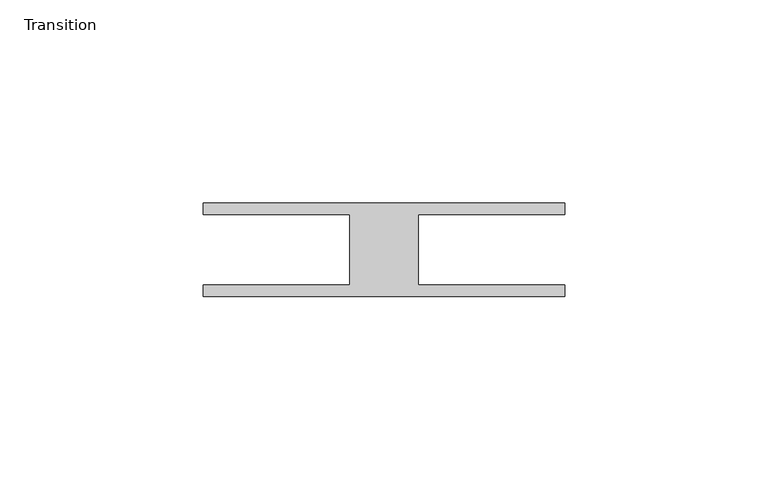
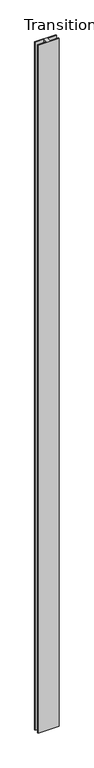
"""IFC4 building model written with IfcOpenShell, lengths in millimetres: furniture geometry, Transition."""

from ifc_helpers import new_model, si_unit, origin, origin_with_axes, place, context, project, spatial, polyline, outline, extrude, source, transform, mapped, element, save


def transition_059c0437(model_context):
    return source(origin(), model_context, "Body", "SweptSolid", [
        extrude(outline(polyline([(-14.4728483, 27.01118), (74.4271531, 27.01118), (74.4271531, 24.2111814), (38.4271534, 24.2111814), (38.4271534, 6.7924287), (74.4271531, 6.7924287), (74.4271531, 3.99243), (-14.4728483, 3.99243), (-14.4728483, 6.7924287), (21.5271529, 6.7924287), (21.5271529, 24.2111814), (-14.4728483, 24.2111814), (-14.4728483, 27.01118)])), origin_with_axes(), (0.0, 0.0, 1.0), 3048.0),
    ])


if __name__ == "__main__":
    model = new_model("IFC4")
    model_context = context("Model", 3, world=origin())
    ifc_project = project(units=[si_unit("LENGTHUNIT", "METRE", prefix="MILLI")], contexts=[model_context])
    site = spatial("IfcSite", under=ifc_project)
    building = spatial("IfcBuilding", under=site)
    placement = place(None, origin())
    transition_shape = transition_059c0437(model_context)
    element("IfcFurniture", 1, ObjectType="Transition", at=placement, inside=building, context=model_context, shape_type="MappedRepresentation", body=[
        mapped(transition_shape, transform((0.0, 0.0, 0.0), x_axis=(1.0, 0.0, 0.0), y_axis=(0.0, 1.0, 0.0), z_axis=(0.0, 0.0, 1.0))),
    ])
    save(model, "model.ifc")
